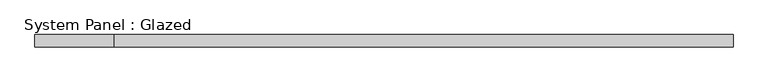
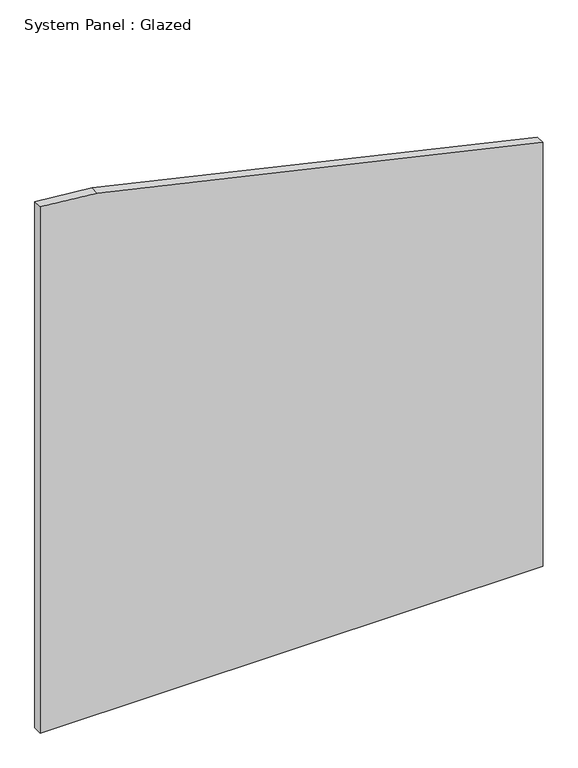
"""IFC4 building model written with IfcOpenShell, lengths in millimetres: plate geometry, System Panel : Glazed."""

from ifc_helpers import new_model, si_unit, frame, origin, place, context, project, spatial, polyline, outline, extrude, source, transform, mapped, element, save


def system_panel_glazed_d48750f0(model_context):
    return source(origin(), model_context, "Body", "SweptSolid", [
        extrude(outline(polyline([(0.0, -706.975), (0.0, 706.975), (1260.4286364, 706.975), (1548.1627774, -546.3681988), (1564.1282341, -706.975), (0.0, -706.975)])), frame((0.0, 19.05, 0.0), z_axis=(0.0, 1.0, 0.0), x_axis=(0.0, 0.0, 1.0)), (0.0, 0.0, 1.0), 25.4),
    ])


if __name__ == "__main__":
    model = new_model("IFC4")
    model_context = context("Model", 3, world=origin())
    ifc_project = project(units=[si_unit("LENGTHUNIT", "METRE", prefix="MILLI")], contexts=[model_context])
    site = spatial("IfcSite", under=ifc_project)
    building = spatial("IfcBuilding", under=site)
    placement = place(None, origin())
    system_panel_glazed_shape = system_panel_glazed_d48750f0(model_context)
    element("IfcPlate", 1, ObjectType="System Panel : Glazed", at=placement, inside=building, context=model_context, shape_type="MappedRepresentation", body=[
        mapped(system_panel_glazed_shape, transform((0.0, 0.0, 0.0), x_axis=(1.0, 0.0, 0.0), y_axis=(0.0, 1.0, 0.0), z_axis=(0.0, 0.0, 1.0))),
    ])
    save(model, "model.ifc")
